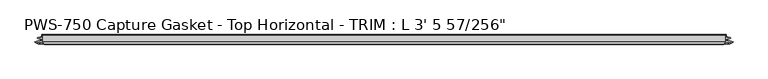
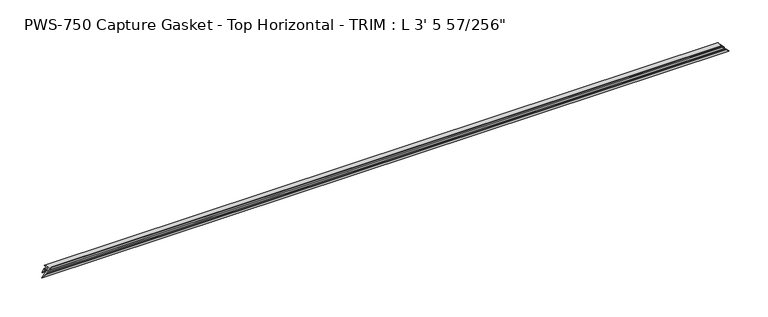
"""IFC4 building model written with IfcOpenShell, lengths in millimetres: proxy geometry."""

from ifc_helpers import new_model, si_unit, origin, place, context, project, spatial, faceted_brep, source, transform, mapped, element, save


def proxy_95a0730d(model_context):
    return source(origin(), model_context, "Body", "Brep", [
        faceted_brep([(1036.4743, -3.1126161, 10.5811687), (1037.022909, -3.8999328, 10.0325598), (10.0325598, -3.8999328, 10.0325598), (10.5811687, -3.1126161, 10.5811687), (1040.1381577, -4.2700002, 6.917311), (6.917311, -4.2700002, 6.917311), (1038.8388422, -3.1803976, 8.2166266), (8.2166266, -3.1803976, 8.2166266), (1042.7835518, -4.5858484, 4.271917), (4.271917, -4.5858484, 4.271917), (1043.372909, -5.3411219, 3.6825598), (3.6825598, -5.3411219, 3.6825598), (1042.7467504, -6.061435, 4.3087184), (4.3087184, -6.061435, 4.3087184), (1038.8388422, -7.4537739, 8.2166266), (8.2166266, -7.4537739, 8.2166266), (1040.1381577, -6.3641713, 6.917311), (6.917311, -6.3641713, 6.917311), (1037.022909, -6.7342387, 10.0325598), (10.0325598, -6.7342387, 10.0325598), (1037.022909, -9.5788982, 10.0325598), (10.0325598, -9.5788982, 10.0325598), (1042.6098058, -9.5788982, 4.445663), (4.445663, -9.5788982, 4.445663), (0.032506, -10.6641492, 0.032506), (1047.0229628, -10.6641492, 0.032506), (1046.7457542, -11.6592287, 0.3097145), (0.3097145, -11.6592287, 0.3097145), (1041.6436962, -14.0291241, 5.4117726), (5.4117726, -14.0291241, 5.4117726), (1043.6997376, -11.9730826, 3.3557311), (3.3557311, -11.9730826, 3.3557311), (1041.5329625, -11.9730826, 5.5225062), (5.5225062, -11.9730826, 5.5225062), (1038.5629973, -14.0291241, 8.4924715), (8.4924715, -14.0291241, 8.4924715), (1040.4060328, -11.7844518, 6.649436), (6.649436, -11.7844518, 6.649436), (1037.3010494, -12.0846322, 9.7544194), (9.7544194, -12.0846322, 9.7544194), (1033.0652924, -14.4184849, 13.9901764), (13.9901764, -14.4184849, 13.9901764), (1032.7001421, -13.6397632, 14.3553266), (14.3553266, -13.6397632, 14.3553266), (1035.2522197, -11.0876857, 11.8032491), (11.8032491, -11.0876857, 11.8032491), (1035.5977991, -1.3581987, 11.4576697), (11.4576697, -1.3581987, 11.4576697), (1036.9559978, 0.0, 10.099471), (10.099471, 0.0, 10.099471), (1036.9559978, -1.1075685, 10.099471), (10.099471, -1.1075685, 10.099471)], [[[0, 1, 2, 3]], [[1, 4, 5, 2]], [[4, 6, 7, 5]], [[6, 8, 9, 7]], [[8, 10, 11, 9]], [[10, 12, 13, 11]], [[12, 14, 15, 13]], [[14, 16, 17, 15]], [[16, 18, 19, 17]], [[18, 20, 21, 19]], [[20, 22, 23, 21]], [[24, 23, 22, 25]], [[25, 26, 27, 24]], [[26, 28, 29, 27]], [[28, 30, 31, 29]], [[30, 32, 33, 31]], [[32, 34, 35, 33]], [[34, 36, 37, 35]], [[36, 38, 39, 37]], [[38, 40, 41, 39]], [[40, 42, 43, 41]], [[42, 44, 45, 43]], [[44, 46, 47, 45]], [[46, 48, 49, 47]], [[48, 50, 51, 49]], [[3, 51, 50, 0]], [[2, 5, 7, 9, 11, 13, 15, 17, 19, 21, 23, 24, 27, 29, 31, 33, 35, 37, 39, 41, 43, 45, 47, 49, 51, 3]], [[0, 50, 48, 46, 44, 42, 40, 38, 36, 34, 32, 30, 28, 26, 25, 22, 20, 18, 16, 14, 12, 10, 8, 6, 4, 1]]]),
    ])


if __name__ == "__main__":
    model = new_model("IFC4")
    model_context = context("Model", 3, world=origin())
    ifc_project = project(units=[si_unit("LENGTHUNIT", "METRE", prefix="MILLI")], contexts=[model_context])
    site = spatial("IfcSite", under=ifc_project)
    building = spatial("IfcBuilding", under=site)
    placement = place(None, origin())
    proxy_shape = proxy_95a0730d(model_context)
    element("IfcBuildingElementProxy", 1, Name="PWS-750 Capture Gasket - Top Horizontal - TRIM : L 3' 5 57/256\"", ObjectType="PWS-750 Capture Gasket - Top Horizontal - TRIM : L 3' 5 57/256\"", at=placement, inside=building, context=model_context, shape_type="MappedRepresentation", body=[
        mapped(proxy_shape, transform((0.0, 0.0, 0.0), x_axis=(1.0, 0.0, 0.0), y_axis=(0.0, 1.0, 0.0), z_axis=(0.0, 0.0, 1.0))),
    ])
    save(model, "model.ifc")
